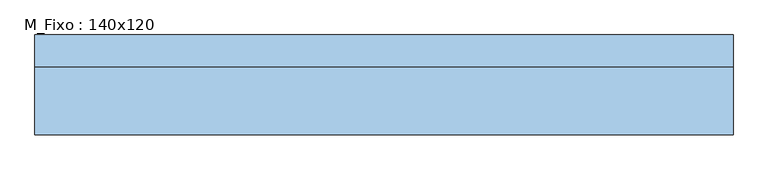
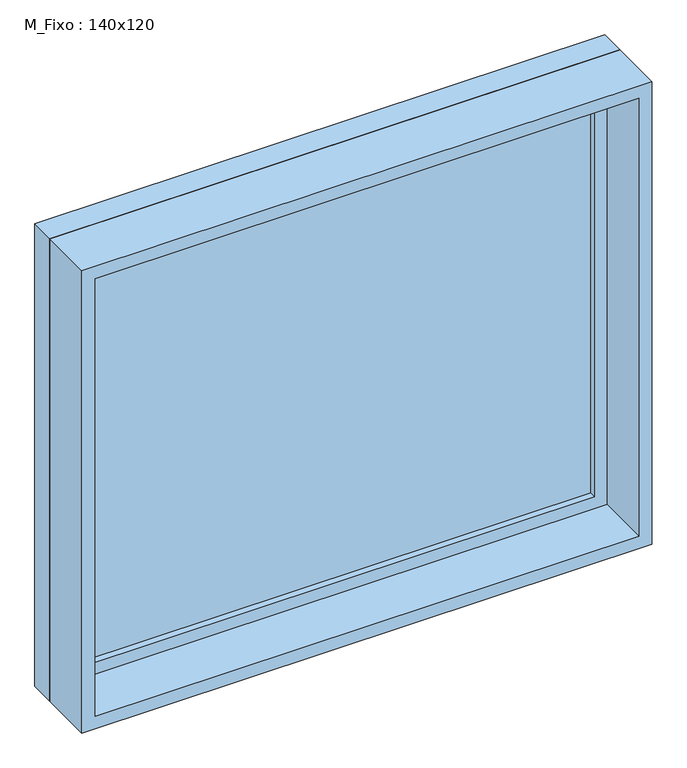
"""IFC4 building model written with IfcOpenShell, lengths in millimetres: window geometry, M_Fixo : 140x120."""

from ifc_helpers import new_model, si_unit, frame, origin, place, context, project, spatial, polyline, outline, extrude, source, transform, mapped, element, save


def m_fixo_140x120_d9dbce60(model_context):
    return source(origin(), model_context, "Body", "SweptSolid", [
        extrude(outline(polyline([(-637.0, 77.0), (637.0, 77.0), (637.0, 65.0), (-637.0, 65.0), (-637.0, 77.0)])), frame((0.0, 0.0, 963.0), z_axis=(0.0, 0.0, 1.0), x_axis=(1.0, 0.0, 0.0)), (0.0, 0.0, 1.0), 1074.0),
        extrude(outline(polyline([(2081.0, -681.0), (919.0, -681.0), (919.0, 681.0), (2081.0, 681.0), (2081.0, -681.0)]), holes=[polyline([(2037.0, -637.0), (2037.0, 637.0), (963.0, 637.0), (963.0, -637.0), (2037.0, -637.0)])]), frame((0.0, 49.0, 0.0), z_axis=(0.0, 1.0, 0.0), x_axis=(0.0, 0.0, 1.0)), (0.0, 0.0, 1.0), 44.0),
        extrude(outline(polyline([(2100.0, -700.0), (900.0, -700.0), (900.0, 700.0), (2100.0, 700.0), (2100.0, -700.0)]), holes=[polyline([(2081.0, -681.0), (2081.0, 681.0), (919.0, 681.0), (919.0, -681.0), (2081.0, -681.0)])]), frame((0.0, 49.0, 0.0), z_axis=(0.0, 1.0, 0.0), x_axis=(0.0, 0.0, 1.0)), (0.0, 0.0, 1.0), 64.0),
        extrude(outline(polyline([(2100.0, -700.0), (900.0, -700.0), (900.0, 700.0), (2100.0, 700.0), (2100.0, -700.0)]), holes=[polyline([(2068.0, -668.0), (2068.0, 668.0), (932.0, 668.0), (932.0, -668.0), (2068.0, -668.0)])]), frame((0.0, -87.0, 0.0), z_axis=(0.0, 1.0, 0.0), x_axis=(0.0, 0.0, 1.0)), (0.0, 0.0, 1.0), 136.0),
    ])


if __name__ == "__main__":
    model = new_model("IFC4")
    model_context = context("Model", 3, world=origin())
    ifc_project = project(units=[si_unit("LENGTHUNIT", "METRE", prefix="MILLI")], contexts=[model_context])
    site = spatial("IfcSite", under=ifc_project)
    building = spatial("IfcBuilding", under=site)
    placement = place(None, origin())
    m_fixo_140x120_shape = m_fixo_140x120_d9dbce60(model_context)
    element("IfcWindow", 1, ObjectType="M_Fixo : 140x120", at=placement, inside=building, context=model_context, shape_type="MappedRepresentation", body=[
        mapped(m_fixo_140x120_shape, transform((0.0, 0.0, 0.0), x_axis=(1.0, 0.0, 0.0), y_axis=(0.0, 1.0, 0.0), z_axis=(0.0, 0.0, 1.0))),
    ])
    save(model, "model.ifc")
